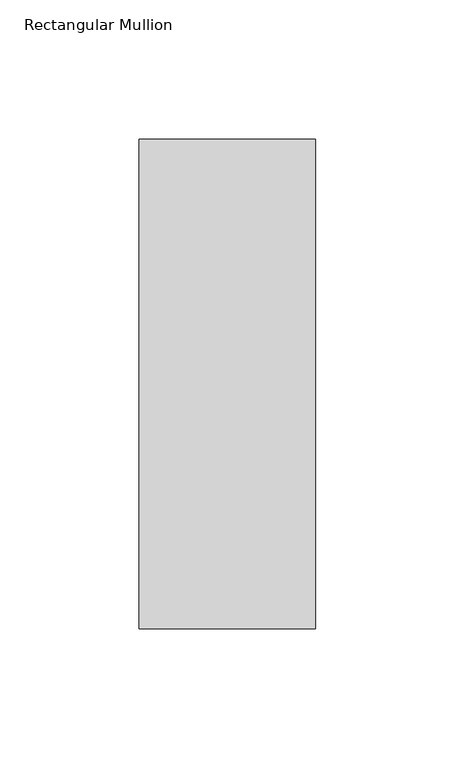
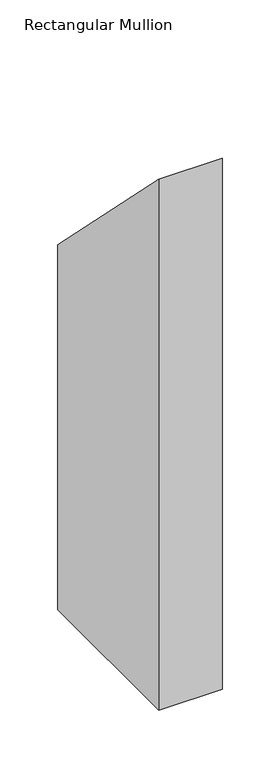
"""IFC4 building model written with IfcOpenShell, lengths in millimetres: member geometry, Rectangular Mullion."""

import ifcopenshell
import ifcopenshell.guid

model = None  # the IFC model being written
_history = None  # IfcOwnerHistory: only IFC2X3 demands one
_inside = {}  # id of a spatial element -> (the spatial element, [elements in it])
_under = {}  # id of a project, library or spatial element -> (it, [spatial elements below it])
_declared = {}  # id of a project -> (the project, [libraries it declares])
_typed = {}  # id of a type object -> (the type object, [elements of that type])
_made_of = {}  # id of a material, layer set ... -> (it, [elements and type objects made of it])


def new_model(schema):
    """Start an empty IFC model of exactly this schema.

    Asked for "IFC4X3", IfcOpenShell would pick the latest addendum, in which some entities
    have other attributes; the version numbers below select the first issue.
    IFC2X3 requires an IfcOwnerHistory on every rooted entity: one is made here for all.
    """
    global model, _history
    if schema == "IFC4X3":
        model = ifcopenshell.file(schema_version=(4, 3, 0, 0))
    else:
        model = ifcopenshell.file(schema=schema)
    _inside.clear()
    _under.clear()
    _declared.clear()
    _typed.clear()
    _made_of.clear()
    _history = None
    if model.schema == "IFC2X3":
        org = make("IfcOrganization", Name="unknown")
        user = make(
            "IfcPersonAndOrganization",
            ThePerson=make("IfcPerson", FamilyName="unknown"),
            TheOrganization=org,
        )
        app = make(
            "IfcApplication",
            ApplicationDeveloper=org,
            Version="unknown",
            ApplicationFullName="unknown",
            ApplicationIdentifier="unknown",
        )
        _history = make(
            "IfcOwnerHistory",
            OwningUser=user,
            OwningApplication=app,
            ChangeAction="ADDED",
            CreationDate=0,
        )
    return model


def make(cls, **values):
    """One entity of the class cls with the attributes given. An attribute that is None is left unset."""
    return model.create_entity(
        cls, **{name: value for name, value in values.items() if value is not None}
    )


def rooted(cls, **values):
    """An entity with a GlobalId (a new one), such as an element, a storey or a relation."""
    return make(cls, GlobalId=ifcopenshell.guid.new(), OwnerHistory=_history, **values)


def si_unit(unit_type, name, prefix=None):
    """IfcSIUnit, for example si_unit("LENGTHUNIT", "METRE", prefix="MILLI")."""
    return make("IfcSIUnit", UnitType=unit_type, Prefix=prefix, Name=name)


def assignment(units):
    """IfcUnitAssignment: the units of a project."""
    return None if units is None else make("IfcUnitAssignment", Units=units)


def point(xyz):
    """IfcCartesianPoint."""
    return None if xyz is None else make("IfcCartesianPoint", Coordinates=xyz)


def direction(xyz):
    """IfcDirection."""
    return None if xyz is None else make("IfcDirection", DirectionRatios=xyz)


def frame(location, z_axis=None, x_axis=None):
    """IfcAxis2Placement3D, a coordinate frame: its origin and axes. An axis left out is left unset."""
    return make(
        "IfcAxis2Placement3D",
        Location=point(location),
        Axis=direction(z_axis),
        RefDirection=direction(x_axis),
    )


def origin():
    """The frame at (0, 0, 0) with its axes left unset."""
    return frame((0.0, 0.0, 0.0))


def place(relative_to, where):
    """IfcLocalPlacement: puts the frame where relative to a parent placement (None: the world)."""
    return make(
        "IfcLocalPlacement", PlacementRelTo=relative_to, RelativePlacement=where
    )


def context(
    kind, dimensions, precision=None, world=None, true_north=None, identifier=None
):
    """IfcGeometricRepresentationContext, for example the 3D "Model" context."""
    return make(
        "IfcGeometricRepresentationContext",
        ContextIdentifier=identifier,
        ContextType=kind,
        CoordinateSpaceDimension=dimensions,
        Precision=precision,
        WorldCoordinateSystem=world,
        TrueNorth=true_north,
    )


def project(units=None, contexts=None):
    """IfcProject with its units and contexts."""
    return rooted(
        "IfcProject",
        Name="project",
        RepresentationContexts=contexts,
        UnitsInContext=assignment(units),
    )


def spatial(cls, under=None, at=None, **own):
    """A site, building, storey or space (cls), placed at a placement, below another one or the project."""
    s = rooted(cls, ObjectPlacement=at, **own)
    if under is not None:
        _under.setdefault(under.id(), (under, []))[1].append(s)
    return s


def polyline(points):
    """IfcPolyline through the points."""
    return make("IfcPolyline", Points=[point(p) for p in points])


def outline(outer, holes=None, kind="AREA"):
    """IfcArbitraryClosedProfileDef: a profile drawn as a closed curve; with holes, ...WithVoids."""
    if holes is None:
        return make("IfcArbitraryClosedProfileDef", ProfileType=kind, OuterCurve=outer)
    return make(
        "IfcArbitraryProfileDefWithVoids",
        ProfileType=kind,
        OuterCurve=outer,
        InnerCurves=holes,
    )


def extrude(swept, where, along, depth):
    """IfcExtrudedAreaSolid: the profile swept, set in the frame where, extruded along a direction by depth."""
    return make(
        "IfcExtrudedAreaSolid",
        SweptArea=swept,
        Position=where,
        ExtrudedDirection=direction(along),
        Depth=depth,
    )


def shape(context_of_items, identifier, shape_type, items):
    """IfcShapeRepresentation: the items that make up one representation, for example the "Body"."""
    return make(
        "IfcShapeRepresentation",
        ContextOfItems=context_of_items,
        RepresentationIdentifier=identifier,
        RepresentationType=shape_type,
        Items=items,
    )


def source(mapping_origin, context_of_items, identifier, shape_type, items):
    """IfcRepresentationMap: a shape defined once, which mapped items show again and again."""
    return make(
        "IfcRepresentationMap",
        MappingOrigin=mapping_origin,
        MappedRepresentation=shape(context_of_items, identifier, shape_type, items),
    )


def transform(
    local_origin,
    x_axis=None,
    y_axis=None,
    z_axis=None,
    scale=None,
    scale2=None,
    scale3=None,
    uniform=True,
):
    """IfcCartesianTransformationOperator3D, or its non-uniform kind. x_axis, y_axis, z_axis: its Axis1, 2, 3."""
    if uniform:
        return make(
            "IfcCartesianTransformationOperator3D",
            Axis1=direction(x_axis),
            Axis2=direction(y_axis),
            LocalOrigin=point(local_origin),
            Scale=scale,
            Axis3=direction(z_axis),
        )
    return make(
        "IfcCartesianTransformationOperator3DnonUniform",
        Axis1=direction(x_axis),
        Axis2=direction(y_axis),
        LocalOrigin=point(local_origin),
        Scale=scale,
        Axis3=direction(z_axis),
        Scale2=scale2,
        Scale3=scale3,
    )


def mapped(mapping_source, mapping_target):
    """IfcMappedItem: shows the shape of a source again, moved by a transform."""
    return make(
        "IfcMappedItem", MappingSource=mapping_source, MappingTarget=mapping_target
    )


def made_of(thing, what):
    """Note that an element or type object is made of a material, layer set ...; save() writes the relation."""
    if what is not None:
        _made_of.setdefault(what.id(), (what, []))[1].append(thing)
    return thing


def element(
    cls,
    number,
    at=None,
    inside=None,
    cuts=None,
    type_object=None,
    material=None,
    context=None,
    identifier="Body",
    shape_type=None,
    held_by="IfcProductDefinitionShape",
    body=None,
    shapes=None,
    **own,
):
    """One element of the class cls, such as IfcWall. Its Tag is "e" and its number.

    at: its placement. inside: the storey or other place that contains it. cuts: it is an
    opening in that element (IfcRelVoidsElement). A single representation is given by context,
    identifier, shape_type and body (its items); several are given by shapes. held_by: the class
    of the entity that holds the representations. save() writes the other relations.
    """
    e = rooted(cls, Tag="e%d" % number, ObjectPlacement=at, **own)
    if body is not None:
        shapes = [shape(context, identifier, shape_type, body)]
    if shapes is not None:
        e.Representation = make(held_by, Representations=shapes)
    if inside is not None:
        _inside.setdefault(inside.id(), (inside, []))[1].append(e)
    if cuts is not None:
        rooted(
            "IfcRelVoidsElement", RelatingBuildingElement=cuts, RelatedOpeningElement=e
        )
    if type_object is not None:
        _typed.setdefault(type_object.id(), (type_object, []))[1].append(e)
    return made_of(e, material)


def aggregate(whole, parts):
    """IfcRelAggregates: a whole, such as a stair, and the parts it consists of."""
    return rooted("IfcRelAggregates", RelatingObject=whole, RelatedObjects=parts)


def save(model, path):
    """Write the relations noted so far, then the file.

    IfcRelAggregates (storeys below a building ...), IfcRelContainedInSpatialStructure (elements
    in a storey), IfcRelDefinesByType, IfcRelAssociatesMaterial and IfcRelDeclares: one each for
    every whole, place, type object, material and project.
    """
    for whole, parts in _under.values():
        aggregate(whole, parts)
    for where, things in _inside.values():
        rooted(
            "IfcRelContainedInSpatialStructure",
            RelatedElements=things,
            RelatingStructure=where,
        )
    for kind, things in _typed.values():
        rooted("IfcRelDefinesByType", RelatedObjects=things, RelatingType=kind)
    for what, things in _made_of.values():
        rooted("IfcRelAssociatesMaterial", RelatedObjects=things, RelatingMaterial=what)
    for by, libraries in _declared.values():
        rooted("IfcRelDeclares", RelatingContext=by, RelatedDefinitions=libraries)
    model.write(path)


def rectangular_mullion_48d5a596(model_context):
    return source(origin(), model_context, "Body", "SweptSolid", [
        extrude(outline(polyline([(46.7447302, -46.7447302), (222.5381313, -222.5381313), (222.5381313, -609.56825), (46.7447302, -609.56825), (46.7447302, -46.7447302)])), frame((-63.5, 0.0, 0.0), z_axis=(1.0, 0.0, 0.0), x_axis=(0.0, 1.0, 0.0)), (0.0, 0.0, 1.0), 63.5),
    ])


if __name__ == "__main__":
    model = new_model("IFC4")
    model_context = context("Model", 3, world=origin())
    ifc_project = project(units=[si_unit("LENGTHUNIT", "METRE", prefix="MILLI")], contexts=[model_context])
    site = spatial("IfcSite", under=ifc_project)
    building = spatial("IfcBuilding", under=site)
    placement = place(None, origin())
    rectangular_mullion_shape = rectangular_mullion_48d5a596(model_context)
    element("IfcMember", 1, ObjectType="Rectangular Mullion", at=placement, inside=building, context=model_context, shape_type="MappedRepresentation", body=[
        mapped(rectangular_mullion_shape, transform((0.0, 0.0, 0.0), x_axis=(1.0, 0.0, 0.0), y_axis=(0.0, 1.0, 0.0), z_axis=(0.0, 0.0, 1.0))),
    ])
    save(model, "model.ifc")
